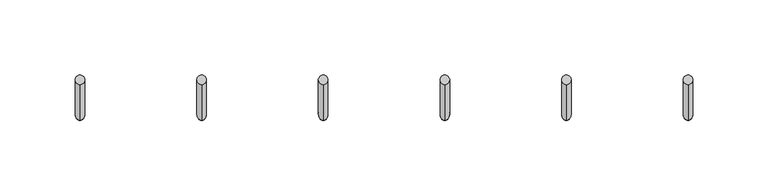
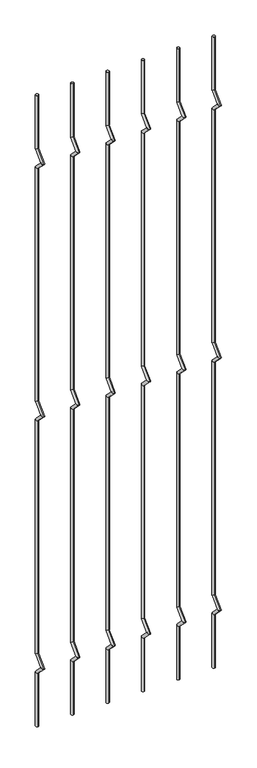
"""IFC4 building model written with IfcOpenShell, lengths in millimetres: railing geometry."""

from ifc_helpers import new_model, si_unit, frame, origin, place, context, project, spatial, circle_curve, ellipse_curve, source, transform, mapped, element, save
from ifc_brep_helpers import plane_surface, cylinder_surface, advanced_brep


def railing_e80b14bc(model_context):
    return source(origin(), model_context, "Body", "AdvancedBrep", [
        advanced_brep(
        [(-17514.6090291, 13589.3554142, 25.4), (-17514.6090291, 13583.0054142, 25.4), (-17514.6090291, 13583.0054142, 154.0342316), (-17514.6090291, 13589.3554142, 156.6644878), (-17514.6090291, 13559.2396458, 177.8), (-17514.6090291, 13568.219902, 177.8), (-17514.6090291, 13583.0054142, 201.5657684), (-17514.6090291, 13589.3554142, 198.9355122), (-17514.6090291, 13583.0054142, 763.6342316), (-17514.6090291, 13589.3554142, 766.2644878), (-17514.6090291, 13559.2396458, 787.4), (-17514.6090291, 13568.219902, 787.4), (-17514.6090291, 13583.0054142, 811.1657684), (-17514.6090291, 13589.3554142, 808.5355122), (-17514.6090291, 13583.0054142, 1373.2342316), (-17514.6090291, 13589.3554142, 1375.8644878), (-17514.6090291, 13559.2396458, 1397.0), (-17514.6090291, 13568.219902, 1397.0), (-17514.6090291, 13583.0054142, 1420.7657684), (-17514.6090291, 13589.3554142, 1418.1355122), (-17514.6090291, 13589.3554142, 1549.4), (-17514.6090291, 13583.0054142, 1549.4)],
        [
            (0, 1, circle_curve(frame((-17514.6090291, 13586.1804142, 25.4), z_axis=(0.0, 0.0, -1.0), x_axis=(0.0, -1.0, 0.0)), 3.175)),
            (1, 0, circle_curve(frame((-17514.6090291, 13586.1804142, 25.4), z_axis=(0.0, 0.0, -1.0), x_axis=(0.0, -1.0, 0.0)), 3.175)),
            (1, 2),
            (2, 3, ellipse_curve(frame((-17514.6090291, 13586.1804142, 155.3493597), z_axis=(0.0, 0.3826834323650955, -0.9238795325112844), x_axis=(0.0, -0.9238795325112845, -0.38268343236509544)), 3.4365952, 3.175)),
            (3, 0),
            (3, 2, ellipse_curve(frame((-17514.6090291, 13586.1804142, 155.3493597), z_axis=(0.0, 0.3826834323650955, -0.9238795325112844), x_axis=(0.0, -0.9238795325112845, -0.38268343236509544)), 3.4365952, 3.175)),
            (2, 4),
            (4, 5, ellipse_curve(frame((-17514.6090291, 13563.7297739, 177.8), z_axis=(0.0, 0.0, -1.0), x_axis=(0.0, 1.0, 0.0)), 4.4901281, 3.175)),
            (5, 3),
            (5, 4, ellipse_curve(frame((-17514.6090291, 13563.7297739, 177.8), z_axis=(0.0, 0.0, -1.0), x_axis=(0.0, 1.0, 0.0)), 4.4901281, 3.175)),
            (4, 6),
            (6, 7, ellipse_curve(frame((-17514.6090291, 13586.1804142, 200.2506403), z_axis=(0.0, -0.3826834323650839, -0.9238795325112892), x_axis=(0.0, -0.9238795325112893, 0.38268343236508373)), 3.4365952, 3.175)),
            (7, 5),
            (7, 6, ellipse_curve(frame((-17514.6090291, 13586.1804142, 200.2506403), z_axis=(0.0, -0.3826834323650839, -0.9238795325112892), x_axis=(0.0, -0.9238795325112893, 0.38268343236508373)), 3.4365952, 3.175)),
            (6, 8),
            (8, 9, ellipse_curve(frame((-17514.6090291, 13586.1804142, 764.9493597), z_axis=(0.0, 0.3826834323651107, -0.9238795325112781), x_axis=(0.0, -0.9238795325112781, -0.3826834323651108)), 3.4365952, 3.175)),
            (9, 7),
            (9, 8, ellipse_curve(frame((-17514.6090291, 13586.1804142, 764.9493597), z_axis=(0.0, 0.3826834323651107, -0.9238795325112781), x_axis=(0.0, -0.9238795325112781, -0.3826834323651108)), 3.4365952, 3.175)),
            (8, 10),
            (10, 11, ellipse_curve(frame((-17514.6090291, 13563.7297739, 787.4), z_axis=(0.0, 0.0, -1.0), x_axis=(0.0, 1.0, 0.0)), 4.4901281, 3.175)),
            (11, 9),
            (11, 10, ellipse_curve(frame((-17514.6090291, 13563.7297739, 787.4), z_axis=(0.0, 0.0, -1.0), x_axis=(0.0, 1.0, 0.0)), 4.4901281, 3.175)),
            (10, 12),
            (12, 13, ellipse_curve(frame((-17514.6090291, 13586.1804142, 809.8506403), z_axis=(0.0, -0.3826834323650702, -0.9238795325112948), x_axis=(0.0, -0.9238795325112948, 0.38268343236507046)), 3.4365952, 3.175)),
            (13, 11),
            (13, 12, ellipse_curve(frame((-17514.6090291, 13586.1804142, 809.8506403), z_axis=(0.0, -0.3826834323650702, -0.9238795325112948), x_axis=(0.0, -0.9238795325112948, 0.38268343236507046)), 3.4365952, 3.175)),
            (12, 14),
            (14, 15, ellipse_curve(frame((-17514.6090291, 13586.1804142, 1374.5493597), z_axis=(0.0, 0.3826834323650811, -0.9238795325112903), x_axis=(0.0, -0.9238795325112901, -0.3826834323650815)), 3.4365952, 3.175)),
            (15, 13),
            (15, 14, ellipse_curve(frame((-17514.6090291, 13586.1804142, 1374.5493597), z_axis=(0.0, 0.3826834323650811, -0.9238795325112903), x_axis=(0.0, -0.9238795325112901, -0.3826834323650815)), 3.4365952, 3.175)),
            (14, 16),
            (16, 17, ellipse_curve(frame((-17514.6090291, 13563.7297739, 1397.0), z_axis=(0.0, 0.0, -1.0), x_axis=(0.0, 1.0, 0.0)), 4.4901281, 3.175)),
            (17, 15),
            (17, 16, ellipse_curve(frame((-17514.6090291, 13563.7297739, 1397.0), z_axis=(0.0, 0.0, -1.0), x_axis=(0.0, 1.0, 0.0)), 4.4901281, 3.175)),
            (16, 18),
            (18, 19, ellipse_curve(frame((-17514.6090291, 13586.1804142, 1419.4506403), z_axis=(0.0, -0.38268343236509844, -0.9238795325112833), x_axis=(0.0, -0.9238795325112827, 0.38268343236509916)), 3.4365952, 3.175)),
            (19, 17),
            (19, 18, ellipse_curve(frame((-17514.6090291, 13586.1804142, 1419.4506403), z_axis=(0.0, -0.38268343236509844, -0.9238795325112833), x_axis=(0.0, -0.9238795325112827, 0.38268343236509916)), 3.4365952, 3.175)),
            (20, 21, circle_curve(frame((-17514.6090291, 13586.1804142, 1549.4), z_axis=(0.0, 0.0, 1.0), x_axis=(0.0, -1.0, 0.0)), 3.175)),
            (21, 20, circle_curve(frame((-17514.6090291, 13586.1804142, 1549.4), z_axis=(0.0, 0.0, 1.0), x_axis=(0.0, -1.0, 0.0)), 3.175)),
            (18, 21),
            (20, 19),
        ],
        [
            plane_surface(frame((-17514.6090291, 13586.1804142, 25.4), z_axis=(0.0, 0.0, -1.0), x_axis=(-1.0, 0.0, 0.0))),
            cylinder_surface(frame((-17514.6090291, 13586.1804142, 25.4), z_axis=(0.0, 0.0, -1.0), x_axis=(0.0, -1.0, 0.0)), 3.175),
            cylinder_surface(frame((-17514.6090291, 13586.1804142, 155.3493597), z_axis=(0.0, 0.7071067811865563, -0.7071067811865388), x_axis=(0.0, -0.7071067811865388, -0.7071067811865563)), 3.175),
            cylinder_surface(frame((-17514.6090291, 13563.7297739, 177.8), z_axis=(0.0, -0.7071067811865385, -0.7071067811865568), x_axis=(0.0, -0.7071067811865568, 0.7071067811865385)), 3.175),
            cylinder_surface(frame((-17514.6090291, 13586.1804142, 200.2506403), z_axis=(0.0, 0.0, -1.0), x_axis=(0.0, -1.0, 0.0)), 3.175),
            cylinder_surface(frame((-17514.6090291, 13586.1804142, 764.9493597), z_axis=(0.0, 0.7071067811865798, -0.7071067811865153), x_axis=(0.0, -0.7071067811865153, -0.7071067811865798)), 3.175),
            cylinder_surface(frame((-17514.6090291, 13563.7297739, 787.4), z_axis=(0.0, -0.7071067811865173, -0.7071067811865779), x_axis=(0.0, -0.7071067811865779, 0.7071067811865173)), 3.175),
            cylinder_surface(frame((-17514.6090291, 13586.1804142, 809.8506403), z_axis=(0.0, 0.0, -1.0), x_axis=(0.0, -1.0, 0.0)), 3.175),
            cylinder_surface(frame((-17514.6090291, 13586.1804142, 1374.5493597), z_axis=(0.0, 0.7071067811865346, -0.7071067811865605), x_axis=(0.0, -0.7071067811865605, -0.7071067811865346)), 3.175),
            cylinder_surface(frame((-17514.6090291, 13563.7297739, 1397.0), z_axis=(0.0, -0.7071067811865608, -0.7071067811865344), x_axis=(0.0, -0.7071067811865344, 0.7071067811865608)), 3.175),
            plane_surface(frame((-17514.6090291, 13586.1804142, 1549.4), z_axis=(0.0, 0.0, 1.0), x_axis=(-1.0, 0.0, 0.0))),
            cylinder_surface(frame((-17514.6090291, 13586.1804142, 1419.4506403), z_axis=(0.0, 0.0, -1.0), x_axis=(0.0, -1.0, 0.0)), 3.175),
        ],
        [
            (0, [[1, 2]]),
            (1, [[3, 4, 5, -2]]),
            (1, [[-5, 6, -3, -1]]),
            (2, [[7, 8, 9, -4]]),
            (2, [[-9, 10, -7, -6]]),
            (3, [[11, 12, 13, -8]]),
            (3, [[-13, 14, -11, -10]]),
            (4, [[15, 16, 17, -12]]),
            (4, [[-17, 18, -15, -14]]),
            (5, [[19, 20, 21, -16]]),
            (5, [[-21, 22, -19, -18]]),
            (6, [[23, 24, 25, -20]]),
            (6, [[-25, 26, -23, -22]]),
            (7, [[27, 28, 29, -24]]),
            (7, [[-29, 30, -27, -26]]),
            (8, [[31, 32, 33, -28]]),
            (8, [[-33, 34, -31, -30]]),
            (9, [[35, 36, 37, -32]]),
            (9, [[-37, 38, -35, -34]]),
            (10, [[39, 40]]),
            (11, [[41, -39, 42, -36]]),
            (11, [[-42, -40, -41, -38]]),
        ],
    ),
        advanced_brep(
        [(-17433.7523624, 13589.3554142, 25.4), (-17433.7523624, 13583.0054142, 25.4), (-17433.7523624, 13583.0054142, 154.0342316), (-17433.7523624, 13589.3554142, 156.6644878), (-17433.7523624, 13559.2396458, 177.8), (-17433.7523624, 13568.219902, 177.8), (-17433.7523624, 13583.0054142, 201.5657684), (-17433.7523624, 13589.3554142, 198.9355122), (-17433.7523624, 13583.0054142, 763.6342316), (-17433.7523624, 13589.3554142, 766.2644878), (-17433.7523624, 13559.2396458, 787.4), (-17433.7523624, 13568.219902, 787.4), (-17433.7523624, 13583.0054142, 811.1657684), (-17433.7523624, 13589.3554142, 808.5355122), (-17433.7523624, 13583.0054142, 1373.2342316), (-17433.7523624, 13589.3554142, 1375.8644878), (-17433.7523624, 13559.2396458, 1397.0), (-17433.7523624, 13568.219902, 1397.0), (-17433.7523624, 13583.0054142, 1420.7657684), (-17433.7523624, 13589.3554142, 1418.1355122), (-17433.7523624, 13589.3554142, 1549.4), (-17433.7523624, 13583.0054142, 1549.4)],
        [
            (0, 1, circle_curve(frame((-17433.7523624, 13586.1804142, 25.4), z_axis=(0.0, 0.0, -1.0), x_axis=(0.0, -1.0, 0.0)), 3.175)),
            (1, 0, circle_curve(frame((-17433.7523624, 13586.1804142, 25.4), z_axis=(0.0, 0.0, -1.0), x_axis=(0.0, -1.0, 0.0)), 3.175)),
            (1, 2),
            (2, 3, ellipse_curve(frame((-17433.7523624, 13586.1804142, 155.3493597), z_axis=(0.0, 0.3826834323650955, -0.9238795325112844), x_axis=(0.0, -0.9238795325112845, -0.38268343236509544)), 3.4365952, 3.175)),
            (3, 0),
            (3, 2, ellipse_curve(frame((-17433.7523624, 13586.1804142, 155.3493597), z_axis=(0.0, 0.3826834323650955, -0.9238795325112844), x_axis=(0.0, -0.9238795325112845, -0.38268343236509544)), 3.4365952, 3.175)),
            (2, 4),
            (4, 5, ellipse_curve(frame((-17433.7523624, 13563.7297739, 177.8), z_axis=(0.0, 0.0, -1.0), x_axis=(0.0, 1.0, 0.0)), 4.4901281, 3.175)),
            (5, 3),
            (5, 4, ellipse_curve(frame((-17433.7523624, 13563.7297739, 177.8), z_axis=(0.0, 0.0, -1.0), x_axis=(0.0, 1.0, 0.0)), 4.4901281, 3.175)),
            (4, 6),
            (6, 7, ellipse_curve(frame((-17433.7523624, 13586.1804142, 200.2506403), z_axis=(0.0, -0.3826834323650839, -0.9238795325112892), x_axis=(0.0, -0.9238795325112893, 0.38268343236508373)), 3.4365952, 3.175)),
            (7, 5),
            (7, 6, ellipse_curve(frame((-17433.7523624, 13586.1804142, 200.2506403), z_axis=(0.0, -0.3826834323650839, -0.9238795325112892), x_axis=(0.0, -0.9238795325112893, 0.38268343236508373)), 3.4365952, 3.175)),
            (6, 8),
            (8, 9, ellipse_curve(frame((-17433.7523624, 13586.1804142, 764.9493597), z_axis=(0.0, 0.3826834323651107, -0.9238795325112781), x_axis=(0.0, -0.9238795325112781, -0.3826834323651108)), 3.4365952, 3.175)),
            (9, 7),
            (9, 8, ellipse_curve(frame((-17433.7523624, 13586.1804142, 764.9493597), z_axis=(0.0, 0.3826834323651107, -0.9238795325112781), x_axis=(0.0, -0.9238795325112781, -0.3826834323651108)), 3.4365952, 3.175)),
            (8, 10),
            (10, 11, ellipse_curve(frame((-17433.7523624, 13563.7297739, 787.4), z_axis=(0.0, 0.0, -1.0), x_axis=(0.0, 1.0, 0.0)), 4.4901281, 3.175)),
            (11, 9),
            (11, 10, ellipse_curve(frame((-17433.7523624, 13563.7297739, 787.4), z_axis=(0.0, 0.0, -1.0), x_axis=(0.0, 1.0, 0.0)), 4.4901281, 3.175)),
            (10, 12),
            (12, 13, ellipse_curve(frame((-17433.7523624, 13586.1804142, 809.8506403), z_axis=(0.0, -0.3826834323650702, -0.9238795325112948), x_axis=(0.0, -0.9238795325112948, 0.38268343236507046)), 3.4365952, 3.175)),
            (13, 11),
            (13, 12, ellipse_curve(frame((-17433.7523624, 13586.1804142, 809.8506403), z_axis=(0.0, -0.3826834323650702, -0.9238795325112948), x_axis=(0.0, -0.9238795325112948, 0.38268343236507046)), 3.4365952, 3.175)),
            (12, 14),
            (14, 15, ellipse_curve(frame((-17433.7523624, 13586.1804142, 1374.5493597), z_axis=(0.0, 0.3826834323650811, -0.9238795325112903), x_axis=(0.0, -0.9238795325112901, -0.3826834323650815)), 3.4365952, 3.175)),
            (15, 13),
            (15, 14, ellipse_curve(frame((-17433.7523624, 13586.1804142, 1374.5493597), z_axis=(0.0, 0.3826834323650811, -0.9238795325112903), x_axis=(0.0, -0.9238795325112901, -0.3826834323650815)), 3.4365952, 3.175)),
            (14, 16),
            (16, 17, ellipse_curve(frame((-17433.7523624, 13563.7297739, 1397.0), z_axis=(0.0, 0.0, -1.0), x_axis=(0.0, 1.0, 0.0)), 4.4901281, 3.175)),
            (17, 15),
            (17, 16, ellipse_curve(frame((-17433.7523624, 13563.7297739, 1397.0), z_axis=(0.0, 0.0, -1.0), x_axis=(0.0, 1.0, 0.0)), 4.4901281, 3.175)),
            (16, 18),
            (18, 19, ellipse_curve(frame((-17433.7523624, 13586.1804142, 1419.4506403), z_axis=(0.0, -0.38268343236509844, -0.9238795325112833), x_axis=(0.0, -0.9238795325112827, 0.38268343236509916)), 3.4365952, 3.175)),
            (19, 17),
            (19, 18, ellipse_curve(frame((-17433.7523624, 13586.1804142, 1419.4506403), z_axis=(0.0, -0.38268343236509844, -0.9238795325112833), x_axis=(0.0, -0.9238795325112827, 0.38268343236509916)), 3.4365952, 3.175)),
            (20, 21, circle_curve(frame((-17433.7523624, 13586.1804142, 1549.4), z_axis=(0.0, 0.0, 1.0), x_axis=(0.0, -1.0, 0.0)), 3.175)),
            (21, 20, circle_curve(frame((-17433.7523624, 13586.1804142, 1549.4), z_axis=(0.0, 0.0, 1.0), x_axis=(0.0, -1.0, 0.0)), 3.175)),
            (18, 21),
            (20, 19),
        ],
        [
            plane_surface(frame((-17433.7523624, 13586.1804142, 25.4), z_axis=(0.0, 0.0, -1.0), x_axis=(-1.0, 0.0, 0.0))),
            cylinder_surface(frame((-17433.7523624, 13586.1804142, 25.4), z_axis=(0.0, 0.0, -1.0), x_axis=(0.0, -1.0, 0.0)), 3.175),
            cylinder_surface(frame((-17433.7523624, 13586.1804142, 155.3493597), z_axis=(0.0, 0.7071067811865563, -0.7071067811865388), x_axis=(0.0, -0.7071067811865388, -0.7071067811865563)), 3.175),
            cylinder_surface(frame((-17433.7523624, 13563.7297739, 177.8), z_axis=(0.0, -0.7071067811865385, -0.7071067811865568), x_axis=(0.0, -0.7071067811865568, 0.7071067811865385)), 3.175),
            cylinder_surface(frame((-17433.7523624, 13586.1804142, 200.2506403), z_axis=(0.0, 0.0, -1.0), x_axis=(0.0, -1.0, 0.0)), 3.175),
            cylinder_surface(frame((-17433.7523624, 13586.1804142, 764.9493597), z_axis=(0.0, 0.7071067811865798, -0.7071067811865153), x_axis=(0.0, -0.7071067811865153, -0.7071067811865798)), 3.175),
            cylinder_surface(frame((-17433.7523624, 13563.7297739, 787.4), z_axis=(0.0, -0.7071067811865173, -0.7071067811865779), x_axis=(0.0, -0.7071067811865779, 0.7071067811865173)), 3.175),
            cylinder_surface(frame((-17433.7523624, 13586.1804142, 809.8506403), z_axis=(0.0, 0.0, -1.0), x_axis=(0.0, -1.0, 0.0)), 3.175),
            cylinder_surface(frame((-17433.7523624, 13586.1804142, 1374.5493597), z_axis=(0.0, 0.7071067811865346, -0.7071067811865605), x_axis=(0.0, -0.7071067811865605, -0.7071067811865346)), 3.175),
            cylinder_surface(frame((-17433.7523624, 13563.7297739, 1397.0), z_axis=(0.0, -0.7071067811865608, -0.7071067811865344), x_axis=(0.0, -0.7071067811865344, 0.7071067811865608)), 3.175),
            plane_surface(frame((-17433.7523624, 13586.1804142, 1549.4), z_axis=(0.0, 0.0, 1.0), x_axis=(-1.0, 0.0, 0.0))),
            cylinder_surface(frame((-17433.7523624, 13586.1804142, 1419.4506403), z_axis=(0.0, 0.0, -1.0), x_axis=(0.0, -1.0, 0.0)), 3.175),
        ],
        [
            (0, [[1, 2]]),
            (1, [[3, 4, 5, -2]]),
            (1, [[-5, 6, -3, -1]]),
            (2, [[7, 8, 9, -4]]),
            (2, [[-9, 10, -7, -6]]),
            (3, [[11, 12, 13, -8]]),
            (3, [[-13, 14, -11, -10]]),
            (4, [[15, 16, 17, -12]]),
            (4, [[-17, 18, -15, -14]]),
            (5, [[19, 20, 21, -16]]),
            (5, [[-21, 22, -19, -18]]),
            (6, [[23, 24, 25, -20]]),
            (6, [[-25, 26, -23, -22]]),
            (7, [[27, 28, 29, -24]]),
            (7, [[-29, 30, -27, -26]]),
            (8, [[31, 32, 33, -28]]),
            (8, [[-33, 34, -31, -30]]),
            (9, [[35, 36, 37, -32]]),
            (9, [[-37, 38, -35, -34]]),
            (10, [[39, 40]]),
            (11, [[41, -39, 42, -36]]),
            (11, [[-42, -40, -41, -38]]),
        ],
    ),
        advanced_brep(
        [(-17352.8956958, 13589.3554142, 25.4), (-17352.8956958, 13583.0054142, 25.4), (-17352.8956958, 13583.0054142, 154.0342316), (-17352.8956958, 13589.3554142, 156.6644878), (-17352.8956958, 13559.2396458, 177.8), (-17352.8956958, 13568.219902, 177.8), (-17352.8956958, 13583.0054142, 201.5657684), (-17352.8956958, 13589.3554142, 198.9355122), (-17352.8956958, 13583.0054142, 763.6342316), (-17352.8956958, 13589.3554142, 766.2644878), (-17352.8956958, 13559.2396458, 787.4), (-17352.8956958, 13568.219902, 787.4), (-17352.8956958, 13583.0054142, 811.1657684), (-17352.8956958, 13589.3554142, 808.5355122), (-17352.8956958, 13583.0054142, 1373.2342316), (-17352.8956958, 13589.3554142, 1375.8644878), (-17352.8956958, 13559.2396458, 1397.0), (-17352.8956958, 13568.219902, 1397.0), (-17352.8956958, 13583.0054142, 1420.7657684), (-17352.8956958, 13589.3554142, 1418.1355122), (-17352.8956958, 13589.3554142, 1549.4), (-17352.8956958, 13583.0054142, 1549.4)],
        [
            (0, 1, circle_curve(frame((-17352.8956958, 13586.1804142, 25.4), z_axis=(0.0, 0.0, -1.0), x_axis=(0.0, -1.0, 0.0)), 3.175)),
            (1, 0, circle_curve(frame((-17352.8956958, 13586.1804142, 25.4), z_axis=(0.0, 0.0, -1.0), x_axis=(0.0, -1.0, 0.0)), 3.175)),
            (1, 2),
            (2, 3, ellipse_curve(frame((-17352.8956958, 13586.1804142, 155.3493597), z_axis=(0.0, 0.3826834323650955, -0.9238795325112844), x_axis=(0.0, -0.9238795325112845, -0.38268343236509544)), 3.4365952, 3.175)),
            (3, 0),
            (3, 2, ellipse_curve(frame((-17352.8956958, 13586.1804142, 155.3493597), z_axis=(0.0, 0.3826834323650955, -0.9238795325112844), x_axis=(0.0, -0.9238795325112845, -0.38268343236509544)), 3.4365952, 3.175)),
            (2, 4),
            (4, 5, ellipse_curve(frame((-17352.8956958, 13563.7297739, 177.8), z_axis=(0.0, 0.0, -1.0), x_axis=(0.0, 1.0, 0.0)), 4.4901281, 3.175)),
            (5, 3),
            (5, 4, ellipse_curve(frame((-17352.8956958, 13563.7297739, 177.8), z_axis=(0.0, 0.0, -1.0), x_axis=(0.0, 1.0, 0.0)), 4.4901281, 3.175)),
            (4, 6),
            (6, 7, ellipse_curve(frame((-17352.8956958, 13586.1804142, 200.2506403), z_axis=(0.0, -0.3826834323650839, -0.9238795325112892), x_axis=(0.0, -0.9238795325112893, 0.38268343236508373)), 3.4365952, 3.175)),
            (7, 5),
            (7, 6, ellipse_curve(frame((-17352.8956958, 13586.1804142, 200.2506403), z_axis=(0.0, -0.3826834323650839, -0.9238795325112892), x_axis=(0.0, -0.9238795325112893, 0.38268343236508373)), 3.4365952, 3.175)),
            (6, 8),
            (8, 9, ellipse_curve(frame((-17352.8956958, 13586.1804142, 764.9493597), z_axis=(0.0, 0.3826834323651107, -0.9238795325112781), x_axis=(0.0, -0.9238795325112781, -0.3826834323651108)), 3.4365952, 3.175)),
            (9, 7),
            (9, 8, ellipse_curve(frame((-17352.8956958, 13586.1804142, 764.9493597), z_axis=(0.0, 0.3826834323651107, -0.9238795325112781), x_axis=(0.0, -0.9238795325112781, -0.3826834323651108)), 3.4365952, 3.175)),
            (8, 10),
            (10, 11, ellipse_curve(frame((-17352.8956958, 13563.7297739, 787.4), z_axis=(0.0, 0.0, -1.0), x_axis=(0.0, 1.0, 0.0)), 4.4901281, 3.175)),
            (11, 9),
            (11, 10, ellipse_curve(frame((-17352.8956958, 13563.7297739, 787.4), z_axis=(0.0, 0.0, -1.0), x_axis=(0.0, 1.0, 0.0)), 4.4901281, 3.175)),
            (10, 12),
            (12, 13, ellipse_curve(frame((-17352.8956958, 13586.1804142, 809.8506403), z_axis=(0.0, -0.3826834323650702, -0.9238795325112948), x_axis=(0.0, -0.9238795325112948, 0.38268343236507046)), 3.4365952, 3.175)),
            (13, 11),
            (13, 12, ellipse_curve(frame((-17352.8956958, 13586.1804142, 809.8506403), z_axis=(0.0, -0.3826834323650702, -0.9238795325112948), x_axis=(0.0, -0.9238795325112948, 0.38268343236507046)), 3.4365952, 3.175)),
            (12, 14),
            (14, 15, ellipse_curve(frame((-17352.8956958, 13586.1804142, 1374.5493597), z_axis=(0.0, 0.3826834323650811, -0.9238795325112903), x_axis=(0.0, -0.9238795325112901, -0.3826834323650815)), 3.4365952, 3.175)),
            (15, 13),
            (15, 14, ellipse_curve(frame((-17352.8956958, 13586.1804142, 1374.5493597), z_axis=(0.0, 0.3826834323650811, -0.9238795325112903), x_axis=(0.0, -0.9238795325112901, -0.3826834323650815)), 3.4365952, 3.175)),
            (14, 16),
            (16, 17, ellipse_curve(frame((-17352.8956958, 13563.7297739, 1397.0), z_axis=(0.0, 0.0, -1.0), x_axis=(0.0, 1.0, 0.0)), 4.4901281, 3.175)),
            (17, 15),
            (17, 16, ellipse_curve(frame((-17352.8956958, 13563.7297739, 1397.0), z_axis=(0.0, 0.0, -1.0), x_axis=(0.0, 1.0, 0.0)), 4.4901281, 3.175)),
            (16, 18),
            (18, 19, ellipse_curve(frame((-17352.8956958, 13586.1804142, 1419.4506403), z_axis=(0.0, -0.38268343236509844, -0.9238795325112833), x_axis=(0.0, -0.9238795325112827, 0.38268343236509916)), 3.4365952, 3.175)),
            (19, 17),
            (19, 18, ellipse_curve(frame((-17352.8956958, 13586.1804142, 1419.4506403), z_axis=(0.0, -0.38268343236509844, -0.9238795325112833), x_axis=(0.0, -0.9238795325112827, 0.38268343236509916)), 3.4365952, 3.175)),
            (20, 21, circle_curve(frame((-17352.8956958, 13586.1804142, 1549.4), z_axis=(0.0, 0.0, 1.0), x_axis=(0.0, -1.0, 0.0)), 3.175)),
            (21, 20, circle_curve(frame((-17352.8956958, 13586.1804142, 1549.4), z_axis=(0.0, 0.0, 1.0), x_axis=(0.0, -1.0, 0.0)), 3.175)),
            (18, 21),
            (20, 19),
        ],
        [
            plane_surface(frame((-17352.8956958, 13586.1804142, 25.4), z_axis=(0.0, 0.0, -1.0), x_axis=(-1.0, 0.0, 0.0))),
            cylinder_surface(frame((-17352.8956958, 13586.1804142, 25.4), z_axis=(0.0, 0.0, -1.0), x_axis=(0.0, -1.0, 0.0)), 3.175),
            cylinder_surface(frame((-17352.8956958, 13586.1804142, 155.3493597), z_axis=(0.0, 0.7071067811865563, -0.7071067811865388), x_axis=(0.0, -0.7071067811865388, -0.7071067811865563)), 3.175),
            cylinder_surface(frame((-17352.8956958, 13563.7297739, 177.8), z_axis=(0.0, -0.7071067811865385, -0.7071067811865568), x_axis=(0.0, -0.7071067811865568, 0.7071067811865385)), 3.175),
            cylinder_surface(frame((-17352.8956958, 13586.1804142, 200.2506403), z_axis=(0.0, 0.0, -1.0), x_axis=(0.0, -1.0, 0.0)), 3.175),
            cylinder_surface(frame((-17352.8956958, 13586.1804142, 764.9493597), z_axis=(0.0, 0.7071067811865798, -0.7071067811865153), x_axis=(0.0, -0.7071067811865153, -0.7071067811865798)), 3.175),
            cylinder_surface(frame((-17352.8956958, 13563.7297739, 787.4), z_axis=(0.0, -0.7071067811865173, -0.7071067811865779), x_axis=(0.0, -0.7071067811865779, 0.7071067811865173)), 3.175),
            cylinder_surface(frame((-17352.8956958, 13586.1804142, 809.8506403), z_axis=(0.0, 0.0, -1.0), x_axis=(0.0, -1.0, 0.0)), 3.175),
            cylinder_surface(frame((-17352.8956958, 13586.1804142, 1374.5493597), z_axis=(0.0, 0.7071067811865346, -0.7071067811865605), x_axis=(0.0, -0.7071067811865605, -0.7071067811865346)), 3.175),
            cylinder_surface(frame((-17352.8956958, 13563.7297739, 1397.0), z_axis=(0.0, -0.7071067811865608, -0.7071067811865344), x_axis=(0.0, -0.7071067811865344, 0.7071067811865608)), 3.175),
            plane_surface(frame((-17352.8956958, 13586.1804142, 1549.4), z_axis=(0.0, 0.0, 1.0), x_axis=(-1.0, 0.0, 0.0))),
            cylinder_surface(frame((-17352.8956958, 13586.1804142, 1419.4506403), z_axis=(0.0, 0.0, -1.0), x_axis=(0.0, -1.0, 0.0)), 3.175),
        ],
        [
            (0, [[1, 2]]),
            (1, [[3, 4, 5, -2]]),
            (1, [[-5, 6, -3, -1]]),
            (2, [[7, 8, 9, -4]]),
            (2, [[-9, 10, -7, -6]]),
            (3, [[11, 12, 13, -8]]),
            (3, [[-13, 14, -11, -10]]),
            (4, [[15, 16, 17, -12]]),
            (4, [[-17, 18, -15, -14]]),
            (5, [[19, 20, 21, -16]]),
            (5, [[-21, 22, -19, -18]]),
            (6, [[23, 24, 25, -20]]),
            (6, [[-25, 26, -23, -22]]),
            (7, [[27, 28, 29, -24]]),
            (7, [[-29, 30, -27, -26]]),
            (8, [[31, 32, 33, -28]]),
            (8, [[-33, 34, -31, -30]]),
            (9, [[35, 36, 37, -32]]),
            (9, [[-37, 38, -35, -34]]),
            (10, [[39, 40]]),
            (11, [[41, -39, 42, -36]]),
            (11, [[-42, -40, -41, -38]]),
        ],
    ),
        advanced_brep(
        [(-17272.0390291, 13589.3554142, 25.4), (-17272.0390291, 13583.0054142, 25.4), (-17272.0390291, 13583.0054142, 154.0342316), (-17272.0390291, 13589.3554142, 156.6644878), (-17272.0390291, 13559.2396458, 177.8), (-17272.0390291, 13568.219902, 177.8), (-17272.0390291, 13583.0054142, 201.5657684), (-17272.0390291, 13589.3554142, 198.9355122), (-17272.0390291, 13583.0054142, 763.6342316), (-17272.0390291, 13589.3554142, 766.2644878), (-17272.0390291, 13559.2396458, 787.4), (-17272.0390291, 13568.219902, 787.4), (-17272.0390291, 13583.0054142, 811.1657684), (-17272.0390291, 13589.3554142, 808.5355122), (-17272.0390291, 13583.0054142, 1373.2342316), (-17272.0390291, 13589.3554142, 1375.8644878), (-17272.0390291, 13559.2396458, 1397.0), (-17272.0390291, 13568.219902, 1397.0), (-17272.0390291, 13583.0054142, 1420.7657684), (-17272.0390291, 13589.3554142, 1418.1355122), (-17272.0390291, 13589.3554142, 1549.4), (-17272.0390291, 13583.0054142, 1549.4)],
        [
            (0, 1, circle_curve(frame((-17272.0390291, 13586.1804142, 25.4), z_axis=(0.0, 0.0, -1.0), x_axis=(0.0, -1.0, 0.0)), 3.175)),
            (1, 0, circle_curve(frame((-17272.0390291, 13586.1804142, 25.4), z_axis=(0.0, 0.0, -1.0), x_axis=(0.0, -1.0, 0.0)), 3.175)),
            (1, 2),
            (2, 3, ellipse_curve(frame((-17272.0390291, 13586.1804142, 155.3493597), z_axis=(0.0, 0.3826834323650955, -0.9238795325112844), x_axis=(0.0, -0.9238795325112845, -0.38268343236509544)), 3.4365952, 3.175)),
            (3, 0),
            (3, 2, ellipse_curve(frame((-17272.0390291, 13586.1804142, 155.3493597), z_axis=(0.0, 0.3826834323650955, -0.9238795325112844), x_axis=(0.0, -0.9238795325112845, -0.38268343236509544)), 3.4365952, 3.175)),
            (2, 4),
            (4, 5, ellipse_curve(frame((-17272.0390291, 13563.7297739, 177.8), z_axis=(0.0, 0.0, -1.0), x_axis=(0.0, 1.0, 0.0)), 4.4901281, 3.175)),
            (5, 3),
            (5, 4, ellipse_curve(frame((-17272.0390291, 13563.7297739, 177.8), z_axis=(0.0, 0.0, -1.0), x_axis=(0.0, 1.0, 0.0)), 4.4901281, 3.175)),
            (4, 6),
            (6, 7, ellipse_curve(frame((-17272.0390291, 13586.1804142, 200.2506403), z_axis=(0.0, -0.3826834323650839, -0.9238795325112892), x_axis=(0.0, -0.9238795325112893, 0.38268343236508373)), 3.4365952, 3.175)),
            (7, 5),
            (7, 6, ellipse_curve(frame((-17272.0390291, 13586.1804142, 200.2506403), z_axis=(0.0, -0.3826834323650839, -0.9238795325112892), x_axis=(0.0, -0.9238795325112893, 0.38268343236508373)), 3.4365952, 3.175)),
            (6, 8),
            (8, 9, ellipse_curve(frame((-17272.0390291, 13586.1804142, 764.9493597), z_axis=(0.0, 0.3826834323651107, -0.9238795325112781), x_axis=(0.0, -0.9238795325112781, -0.3826834323651108)), 3.4365952, 3.175)),
            (9, 7),
            (9, 8, ellipse_curve(frame((-17272.0390291, 13586.1804142, 764.9493597), z_axis=(0.0, 0.3826834323651107, -0.9238795325112781), x_axis=(0.0, -0.9238795325112781, -0.3826834323651108)), 3.4365952, 3.175)),
            (8, 10),
            (10, 11, ellipse_curve(frame((-17272.0390291, 13563.7297739, 787.4), z_axis=(0.0, 0.0, -1.0), x_axis=(0.0, 1.0, 0.0)), 4.4901281, 3.175)),
            (11, 9),
            (11, 10, ellipse_curve(frame((-17272.0390291, 13563.7297739, 787.4), z_axis=(0.0, 0.0, -1.0), x_axis=(0.0, 1.0, 0.0)), 4.4901281, 3.175)),
            (10, 12),
            (12, 13, ellipse_curve(frame((-17272.0390291, 13586.1804142, 809.8506403), z_axis=(0.0, -0.3826834323650702, -0.9238795325112948), x_axis=(0.0, -0.9238795325112948, 0.38268343236507046)), 3.4365952, 3.175)),
            (13, 11),
            (13, 12, ellipse_curve(frame((-17272.0390291, 13586.1804142, 809.8506403), z_axis=(0.0, -0.3826834323650702, -0.9238795325112948), x_axis=(0.0, -0.9238795325112948, 0.38268343236507046)), 3.4365952, 3.175)),
            (12, 14),
            (14, 15, ellipse_curve(frame((-17272.0390291, 13586.1804142, 1374.5493597), z_axis=(0.0, 0.3826834323650811, -0.9238795325112903), x_axis=(0.0, -0.9238795325112901, -0.3826834323650815)), 3.4365952, 3.175)),
            (15, 13),
            (15, 14, ellipse_curve(frame((-17272.0390291, 13586.1804142, 1374.5493597), z_axis=(0.0, 0.3826834323650811, -0.9238795325112903), x_axis=(0.0, -0.9238795325112901, -0.3826834323650815)), 3.4365952, 3.175)),
            (14, 16),
            (16, 17, ellipse_curve(frame((-17272.0390291, 13563.7297739, 1397.0), z_axis=(0.0, 0.0, -1.0), x_axis=(0.0, 1.0, 0.0)), 4.4901281, 3.175)),
            (17, 15),
            (17, 16, ellipse_curve(frame((-17272.0390291, 13563.7297739, 1397.0), z_axis=(0.0, 0.0, -1.0), x_axis=(0.0, 1.0, 0.0)), 4.4901281, 3.175)),
            (16, 18),
            (18, 19, ellipse_curve(frame((-17272.0390291, 13586.1804142, 1419.4506403), z_axis=(0.0, -0.38268343236509844, -0.9238795325112833), x_axis=(0.0, -0.9238795325112827, 0.38268343236509916)), 3.4365952, 3.175)),
            (19, 17),
            (19, 18, ellipse_curve(frame((-17272.0390291, 13586.1804142, 1419.4506403), z_axis=(0.0, -0.38268343236509844, -0.9238795325112833), x_axis=(0.0, -0.9238795325112827, 0.38268343236509916)), 3.4365952, 3.175)),
            (20, 21, circle_curve(frame((-17272.0390291, 13586.1804142, 1549.4), z_axis=(0.0, 0.0, 1.0), x_axis=(0.0, -1.0, 0.0)), 3.175)),
            (21, 20, circle_curve(frame((-17272.0390291, 13586.1804142, 1549.4), z_axis=(0.0, 0.0, 1.0), x_axis=(0.0, -1.0, 0.0)), 3.175)),
            (18, 21),
            (20, 19),
        ],
        [
            plane_surface(frame((-17272.0390291, 13586.1804142, 25.4), z_axis=(0.0, 0.0, -1.0), x_axis=(-1.0, 0.0, 0.0))),
            cylinder_surface(frame((-17272.0390291, 13586.1804142, 25.4), z_axis=(0.0, 0.0, -1.0), x_axis=(0.0, -1.0, 0.0)), 3.175),
            cylinder_surface(frame((-17272.0390291, 13586.1804142, 155.3493597), z_axis=(0.0, 0.7071067811865563, -0.7071067811865388), x_axis=(0.0, -0.7071067811865388, -0.7071067811865563)), 3.175),
            cylinder_surface(frame((-17272.0390291, 13563.7297739, 177.8), z_axis=(0.0, -0.7071067811865385, -0.7071067811865568), x_axis=(0.0, -0.7071067811865568, 0.7071067811865385)), 3.175),
            cylinder_surface(frame((-17272.0390291, 13586.1804142, 200.2506403), z_axis=(0.0, 0.0, -1.0), x_axis=(0.0, -1.0, 0.0)), 3.175),
            cylinder_surface(frame((-17272.0390291, 13586.1804142, 764.9493597), z_axis=(0.0, 0.7071067811865798, -0.7071067811865153), x_axis=(0.0, -0.7071067811865153, -0.7071067811865798)), 3.175),
            cylinder_surface(frame((-17272.0390291, 13563.7297739, 787.4), z_axis=(0.0, -0.7071067811865173, -0.7071067811865779), x_axis=(0.0, -0.7071067811865779, 0.7071067811865173)), 3.175),
            cylinder_surface(frame((-17272.0390291, 13586.1804142, 809.8506403), z_axis=(0.0, 0.0, -1.0), x_axis=(0.0, -1.0, 0.0)), 3.175),
            cylinder_surface(frame((-17272.0390291, 13586.1804142, 1374.5493597), z_axis=(0.0, 0.7071067811865346, -0.7071067811865605), x_axis=(0.0, -0.7071067811865605, -0.7071067811865346)), 3.175),
            cylinder_surface(frame((-17272.0390291, 13563.7297739, 1397.0), z_axis=(0.0, -0.7071067811865608, -0.7071067811865344), x_axis=(0.0, -0.7071067811865344, 0.7071067811865608)), 3.175),
            plane_surface(frame((-17272.0390291, 13586.1804142, 1549.4), z_axis=(0.0, 0.0, 1.0), x_axis=(-1.0, 0.0, 0.0))),
            cylinder_surface(frame((-17272.0390291, 13586.1804142, 1419.4506403), z_axis=(0.0, 0.0, -1.0), x_axis=(0.0, -1.0, 0.0)), 3.175),
        ],
        [
            (0, [[1, 2]]),
            (1, [[3, 4, 5, -2]]),
            (1, [[-5, 6, -3, -1]]),
            (2, [[7, 8, 9, -4]]),
            (2, [[-9, 10, -7, -6]]),
            (3, [[11, 12, 13, -8]]),
            (3, [[-13, 14, -11, -10]]),
            (4, [[15, 16, 17, -12]]),
            (4, [[-17, 18, -15, -14]]),
            (5, [[19, 20, 21, -16]]),
            (5, [[-21, 22, -19, -18]]),
            (6, [[23, 24, 25, -20]]),
            (6, [[-25, 26, -23, -22]]),
            (7, [[27, 28, 29, -24]]),
            (7, [[-29, 30, -27, -26]]),
            (8, [[31, 32, 33, -28]]),
            (8, [[-33, 34, -31, -30]]),
            (9, [[35, 36, 37, -32]]),
            (9, [[-37, 38, -35, -34]]),
            (10, [[39, 40]]),
            (11, [[41, -39, 42, -36]]),
            (11, [[-42, -40, -41, -38]]),
        ],
    ),
        advanced_brep(
        [(-17191.1823624, 13589.3554142, 25.4), (-17191.1823624, 13583.0054142, 25.4), (-17191.1823624, 13583.0054142, 154.0342316), (-17191.1823624, 13589.3554142, 156.6644878), (-17191.1823624, 13559.2396458, 177.8), (-17191.1823624, 13568.219902, 177.8), (-17191.1823624, 13583.0054142, 201.5657684), (-17191.1823624, 13589.3554142, 198.9355122), (-17191.1823624, 13583.0054142, 763.6342316), (-17191.1823624, 13589.3554142, 766.2644878), (-17191.1823624, 13559.2396458, 787.4), (-17191.1823624, 13568.219902, 787.4), (-17191.1823624, 13583.0054142, 811.1657684), (-17191.1823624, 13589.3554142, 808.5355122), (-17191.1823624, 13583.0054142, 1373.2342316), (-17191.1823624, 13589.3554142, 1375.8644878), (-17191.1823624, 13559.2396458, 1397.0), (-17191.1823624, 13568.219902, 1397.0), (-17191.1823624, 13583.0054142, 1420.7657684), (-17191.1823624, 13589.3554142, 1418.1355122), (-17191.1823624, 13589.3554142, 1549.4), (-17191.1823624, 13583.0054142, 1549.4)],
        [
            (0, 1, circle_curve(frame((-17191.1823624, 13586.1804142, 25.4), z_axis=(0.0, 0.0, -1.0), x_axis=(0.0, -1.0, 0.0)), 3.175)),
            (1, 0, circle_curve(frame((-17191.1823624, 13586.1804142, 25.4), z_axis=(0.0, 0.0, -1.0), x_axis=(0.0, -1.0, 0.0)), 3.175)),
            (1, 2),
            (2, 3, ellipse_curve(frame((-17191.1823624, 13586.1804142, 155.3493597), z_axis=(0.0, 0.3826834323650955, -0.9238795325112844), x_axis=(0.0, -0.9238795325112845, -0.38268343236509544)), 3.4365952, 3.175)),
            (3, 0),
            (3, 2, ellipse_curve(frame((-17191.1823624, 13586.1804142, 155.3493597), z_axis=(0.0, 0.3826834323650955, -0.9238795325112844), x_axis=(0.0, -0.9238795325112845, -0.38268343236509544)), 3.4365952, 3.175)),
            (2, 4),
            (4, 5, ellipse_curve(frame((-17191.1823624, 13563.7297739, 177.8), z_axis=(0.0, 0.0, -1.0), x_axis=(0.0, 1.0, 0.0)), 4.4901281, 3.175)),
            (5, 3),
            (5, 4, ellipse_curve(frame((-17191.1823624, 13563.7297739, 177.8), z_axis=(0.0, 0.0, -1.0), x_axis=(0.0, 1.0, 0.0)), 4.4901281, 3.175)),
            (4, 6),
            (6, 7, ellipse_curve(frame((-17191.1823624, 13586.1804142, 200.2506403), z_axis=(0.0, -0.3826834323650839, -0.9238795325112892), x_axis=(0.0, -0.9238795325112893, 0.38268343236508373)), 3.4365952, 3.175)),
            (7, 5),
            (7, 6, ellipse_curve(frame((-17191.1823624, 13586.1804142, 200.2506403), z_axis=(0.0, -0.3826834323650839, -0.9238795325112892), x_axis=(0.0, -0.9238795325112893, 0.38268343236508373)), 3.4365952, 3.175)),
            (6, 8),
            (8, 9, ellipse_curve(frame((-17191.1823624, 13586.1804142, 764.9493597), z_axis=(0.0, 0.3826834323651107, -0.9238795325112781), x_axis=(0.0, -0.9238795325112781, -0.3826834323651108)), 3.4365952, 3.175)),
            (9, 7),
            (9, 8, ellipse_curve(frame((-17191.1823624, 13586.1804142, 764.9493597), z_axis=(0.0, 0.3826834323651107, -0.9238795325112781), x_axis=(0.0, -0.9238795325112781, -0.3826834323651108)), 3.4365952, 3.175)),
            (8, 10),
            (10, 11, ellipse_curve(frame((-17191.1823624, 13563.7297739, 787.4), z_axis=(0.0, 0.0, -1.0), x_axis=(0.0, 1.0, 0.0)), 4.4901281, 3.175)),
            (11, 9),
            (11, 10, ellipse_curve(frame((-17191.1823624, 13563.7297739, 787.4), z_axis=(0.0, 0.0, -1.0), x_axis=(0.0, 1.0, 0.0)), 4.4901281, 3.175)),
            (10, 12),
            (12, 13, ellipse_curve(frame((-17191.1823624, 13586.1804142, 809.8506403), z_axis=(0.0, -0.3826834323650702, -0.9238795325112948), x_axis=(0.0, -0.9238795325112948, 0.38268343236507046)), 3.4365952, 3.175)),
            (13, 11),
            (13, 12, ellipse_curve(frame((-17191.1823624, 13586.1804142, 809.8506403), z_axis=(0.0, -0.3826834323650702, -0.9238795325112948), x_axis=(0.0, -0.9238795325112948, 0.38268343236507046)), 3.4365952, 3.175)),
            (12, 14),
            (14, 15, ellipse_curve(frame((-17191.1823624, 13586.1804142, 1374.5493597), z_axis=(0.0, 0.3826834323650811, -0.9238795325112903), x_axis=(0.0, -0.9238795325112901, -0.3826834323650815)), 3.4365952, 3.175)),
            (15, 13),
            (15, 14, ellipse_curve(frame((-17191.1823624, 13586.1804142, 1374.5493597), z_axis=(0.0, 0.3826834323650811, -0.9238795325112903), x_axis=(0.0, -0.9238795325112901, -0.3826834323650815)), 3.4365952, 3.175)),
            (14, 16),
            (16, 17, ellipse_curve(frame((-17191.1823624, 13563.7297739, 1397.0), z_axis=(0.0, 0.0, -1.0), x_axis=(0.0, 1.0, 0.0)), 4.4901281, 3.175)),
            (17, 15),
            (17, 16, ellipse_curve(frame((-17191.1823624, 13563.7297739, 1397.0), z_axis=(0.0, 0.0, -1.0), x_axis=(0.0, 1.0, 0.0)), 4.4901281, 3.175)),
            (16, 18),
            (18, 19, ellipse_curve(frame((-17191.1823624, 13586.1804142, 1419.4506403), z_axis=(0.0, -0.38268343236509844, -0.9238795325112833), x_axis=(0.0, -0.9238795325112827, 0.38268343236509916)), 3.4365952, 3.175)),
            (19, 17),
            (19, 18, ellipse_curve(frame((-17191.1823624, 13586.1804142, 1419.4506403), z_axis=(0.0, -0.38268343236509844, -0.9238795325112833), x_axis=(0.0, -0.9238795325112827, 0.38268343236509916)), 3.4365952, 3.175)),
            (20, 21, circle_curve(frame((-17191.1823624, 13586.1804142, 1549.4), z_axis=(0.0, 0.0, 1.0), x_axis=(0.0, -1.0, 0.0)), 3.175)),
            (21, 20, circle_curve(frame((-17191.1823624, 13586.1804142, 1549.4), z_axis=(0.0, 0.0, 1.0), x_axis=(0.0, -1.0, 0.0)), 3.175)),
            (18, 21),
            (20, 19),
        ],
        [
            plane_surface(frame((-17191.1823624, 13586.1804142, 25.4), z_axis=(0.0, 0.0, -1.0), x_axis=(-1.0, 0.0, 0.0))),
            cylinder_surface(frame((-17191.1823624, 13586.1804142, 25.4), z_axis=(0.0, 0.0, -1.0), x_axis=(0.0, -1.0, 0.0)), 3.175),
            cylinder_surface(frame((-17191.1823624, 13586.1804142, 155.3493597), z_axis=(0.0, 0.7071067811865563, -0.7071067811865388), x_axis=(0.0, -0.7071067811865388, -0.7071067811865563)), 3.175),
            cylinder_surface(frame((-17191.1823624, 13563.7297739, 177.8), z_axis=(0.0, -0.7071067811865385, -0.7071067811865568), x_axis=(0.0, -0.7071067811865568, 0.7071067811865385)), 3.175),
            cylinder_surface(frame((-17191.1823624, 13586.1804142, 200.2506403), z_axis=(0.0, 0.0, -1.0), x_axis=(0.0, -1.0, 0.0)), 3.175),
            cylinder_surface(frame((-17191.1823624, 13586.1804142, 764.9493597), z_axis=(0.0, 0.7071067811865798, -0.7071067811865153), x_axis=(0.0, -0.7071067811865153, -0.7071067811865798)), 3.175),
            cylinder_surface(frame((-17191.1823624, 13563.7297739, 787.4), z_axis=(0.0, -0.7071067811865173, -0.7071067811865779), x_axis=(0.0, -0.7071067811865779, 0.7071067811865173)), 3.175),
            cylinder_surface(frame((-17191.1823624, 13586.1804142, 809.8506403), z_axis=(0.0, 0.0, -1.0), x_axis=(0.0, -1.0, 0.0)), 3.175),
            cylinder_surface(frame((-17191.1823624, 13586.1804142, 1374.5493597), z_axis=(0.0, 0.7071067811865346, -0.7071067811865605), x_axis=(0.0, -0.7071067811865605, -0.7071067811865346)), 3.175),
            cylinder_surface(frame((-17191.1823624, 13563.7297739, 1397.0), z_axis=(0.0, -0.7071067811865608, -0.7071067811865344), x_axis=(0.0, -0.7071067811865344, 0.7071067811865608)), 3.175),
            plane_surface(frame((-17191.1823624, 13586.1804142, 1549.4), z_axis=(0.0, 0.0, 1.0), x_axis=(-1.0, 0.0, 0.0))),
            cylinder_surface(frame((-17191.1823624, 13586.1804142, 1419.4506403), z_axis=(0.0, 0.0, -1.0), x_axis=(0.0, -1.0, 0.0)), 3.175),
        ],
        [
            (0, [[1, 2]]),
            (1, [[3, 4, 5, -2]]),
            (1, [[-5, 6, -3, -1]]),
            (2, [[7, 8, 9, -4]]),
            (2, [[-9, 10, -7, -6]]),
            (3, [[11, 12, 13, -8]]),
            (3, [[-13, 14, -11, -10]]),
            (4, [[15, 16, 17, -12]]),
            (4, [[-17, 18, -15, -14]]),
            (5, [[19, 20, 21, -16]]),
            (5, [[-21, 22, -19, -18]]),
            (6, [[23, 24, 25, -20]]),
            (6, [[-25, 26, -23, -22]]),
            (7, [[27, 28, 29, -24]]),
            (7, [[-29, 30, -27, -26]]),
            (8, [[31, 32, 33, -28]]),
            (8, [[-33, 34, -31, -30]]),
            (9, [[35, 36, 37, -32]]),
            (9, [[-37, 38, -35, -34]]),
            (10, [[39, 40]]),
            (11, [[41, -39, 42, -36]]),
            (11, [[-42, -40, -41, -38]]),
        ],
    ),
        advanced_brep(
        [(-17110.3256958, 13589.3554142, 25.4), (-17110.3256958, 13583.0054142, 25.4), (-17110.3256958, 13583.0054142, 154.0342316), (-17110.3256958, 13589.3554142, 156.6644878), (-17110.3256958, 13559.2396458, 177.8), (-17110.3256958, 13568.219902, 177.8), (-17110.3256958, 13583.0054142, 201.5657684), (-17110.3256958, 13589.3554142, 198.9355122), (-17110.3256958, 13583.0054142, 763.6342316), (-17110.3256958, 13589.3554142, 766.2644878), (-17110.3256958, 13559.2396458, 787.4), (-17110.3256958, 13568.219902, 787.4), (-17110.3256958, 13583.0054142, 811.1657684), (-17110.3256958, 13589.3554142, 808.5355122), (-17110.3256958, 13583.0054142, 1373.2342316), (-17110.3256958, 13589.3554142, 1375.8644878), (-17110.3256958, 13559.2396458, 1397.0), (-17110.3256958, 13568.219902, 1397.0), (-17110.3256958, 13583.0054142, 1420.7657684), (-17110.3256958, 13589.3554142, 1418.1355122), (-17110.3256958, 13589.3554142, 1549.4), (-17110.3256958, 13583.0054142, 1549.4)],
        [
            (0, 1, circle_curve(frame((-17110.3256958, 13586.1804142, 25.4), z_axis=(0.0, 0.0, -1.0), x_axis=(0.0, -1.0, 0.0)), 3.175)),
            (1, 0, circle_curve(frame((-17110.3256958, 13586.1804142, 25.4), z_axis=(0.0, 0.0, -1.0), x_axis=(0.0, -1.0, 0.0)), 3.175)),
            (1, 2),
            (2, 3, ellipse_curve(frame((-17110.3256958, 13586.1804142, 155.3493597), z_axis=(0.0, 0.3826834323650955, -0.9238795325112844), x_axis=(0.0, -0.9238795325112845, -0.38268343236509544)), 3.4365952, 3.175)),
            (3, 0),
            (3, 2, ellipse_curve(frame((-17110.3256958, 13586.1804142, 155.3493597), z_axis=(0.0, 0.3826834323650955, -0.9238795325112844), x_axis=(0.0, -0.9238795325112845, -0.38268343236509544)), 3.4365952, 3.175)),
            (2, 4),
            (4, 5, ellipse_curve(frame((-17110.3256958, 13563.7297739, 177.8), z_axis=(0.0, 0.0, -1.0), x_axis=(0.0, 1.0, 0.0)), 4.4901281, 3.175)),
            (5, 3),
            (5, 4, ellipse_curve(frame((-17110.3256958, 13563.7297739, 177.8), z_axis=(0.0, 0.0, -1.0), x_axis=(0.0, 1.0, 0.0)), 4.4901281, 3.175)),
            (4, 6),
            (6, 7, ellipse_curve(frame((-17110.3256958, 13586.1804142, 200.2506403), z_axis=(0.0, -0.3826834323650839, -0.9238795325112892), x_axis=(0.0, -0.9238795325112893, 0.38268343236508373)), 3.4365952, 3.175)),
            (7, 5),
            (7, 6, ellipse_curve(frame((-17110.3256958, 13586.1804142, 200.2506403), z_axis=(0.0, -0.3826834323650839, -0.9238795325112892), x_axis=(0.0, -0.9238795325112893, 0.38268343236508373)), 3.4365952, 3.175)),
            (6, 8),
            (8, 9, ellipse_curve(frame((-17110.3256958, 13586.1804142, 764.9493597), z_axis=(0.0, 0.3826834323651107, -0.9238795325112781), x_axis=(0.0, -0.9238795325112781, -0.3826834323651108)), 3.4365952, 3.175)),
            (9, 7),
            (9, 8, ellipse_curve(frame((-17110.3256958, 13586.1804142, 764.9493597), z_axis=(0.0, 0.3826834323651107, -0.9238795325112781), x_axis=(0.0, -0.9238795325112781, -0.3826834323651108)), 3.4365952, 3.175)),
            (8, 10),
            (10, 11, ellipse_curve(frame((-17110.3256958, 13563.7297739, 787.4), z_axis=(0.0, 0.0, -1.0), x_axis=(0.0, 1.0, 0.0)), 4.4901281, 3.175)),
            (11, 9),
            (11, 10, ellipse_curve(frame((-17110.3256958, 13563.7297739, 787.4), z_axis=(0.0, 0.0, -1.0), x_axis=(0.0, 1.0, 0.0)), 4.4901281, 3.175)),
            (10, 12),
            (12, 13, ellipse_curve(frame((-17110.3256958, 13586.1804142, 809.8506403), z_axis=(0.0, -0.3826834323650702, -0.9238795325112948), x_axis=(0.0, -0.9238795325112948, 0.38268343236507046)), 3.4365952, 3.175)),
            (13, 11),
            (13, 12, ellipse_curve(frame((-17110.3256958, 13586.1804142, 809.8506403), z_axis=(0.0, -0.3826834323650702, -0.9238795325112948), x_axis=(0.0, -0.9238795325112948, 0.38268343236507046)), 3.4365952, 3.175)),
            (12, 14),
            (14, 15, ellipse_curve(frame((-17110.3256958, 13586.1804142, 1374.5493597), z_axis=(0.0, 0.3826834323650811, -0.9238795325112903), x_axis=(0.0, -0.9238795325112901, -0.3826834323650815)), 3.4365952, 3.175)),
            (15, 13),
            (15, 14, ellipse_curve(frame((-17110.3256958, 13586.1804142, 1374.5493597), z_axis=(0.0, 0.3826834323650811, -0.9238795325112903), x_axis=(0.0, -0.9238795325112901, -0.3826834323650815)), 3.4365952, 3.175)),
            (14, 16),
            (16, 17, ellipse_curve(frame((-17110.3256958, 13563.7297739, 1397.0), z_axis=(0.0, 0.0, -1.0), x_axis=(0.0, 1.0, 0.0)), 4.4901281, 3.175)),
            (17, 15),
            (17, 16, ellipse_curve(frame((-17110.3256958, 13563.7297739, 1397.0), z_axis=(0.0, 0.0, -1.0), x_axis=(0.0, 1.0, 0.0)), 4.4901281, 3.175)),
            (16, 18),
            (18, 19, ellipse_curve(frame((-17110.3256958, 13586.1804142, 1419.4506403), z_axis=(0.0, -0.38268343236509844, -0.9238795325112833), x_axis=(0.0, -0.9238795325112827, 0.38268343236509916)), 3.4365952, 3.175)),
            (19, 17),
            (19, 18, ellipse_curve(frame((-17110.3256958, 13586.1804142, 1419.4506403), z_axis=(0.0, -0.38268343236509844, -0.9238795325112833), x_axis=(0.0, -0.9238795325112827, 0.38268343236509916)), 3.4365952, 3.175)),
            (20, 21, circle_curve(frame((-17110.3256958, 13586.1804142, 1549.4), z_axis=(0.0, 0.0, 1.0), x_axis=(0.0, -1.0, 0.0)), 3.175)),
            (21, 20, circle_curve(frame((-17110.3256958, 13586.1804142, 1549.4), z_axis=(0.0, 0.0, 1.0), x_axis=(0.0, -1.0, 0.0)), 3.175)),
            (18, 21),
            (20, 19),
        ],
        [
            plane_surface(frame((-17110.3256958, 13586.1804142, 25.4), z_axis=(0.0, 0.0, -1.0), x_axis=(-1.0, 0.0, 0.0))),
            cylinder_surface(frame((-17110.3256958, 13586.1804142, 25.4), z_axis=(0.0, 0.0, -1.0), x_axis=(0.0, -1.0, 0.0)), 3.175),
            cylinder_surface(frame((-17110.3256958, 13586.1804142, 155.3493597), z_axis=(0.0, 0.7071067811865563, -0.7071067811865388), x_axis=(0.0, -0.7071067811865388, -0.7071067811865563)), 3.175),
            cylinder_surface(frame((-17110.3256958, 13563.7297739, 177.8), z_axis=(0.0, -0.7071067811865385, -0.7071067811865568), x_axis=(0.0, -0.7071067811865568, 0.7071067811865385)), 3.175),
            cylinder_surface(frame((-17110.3256958, 13586.1804142, 200.2506403), z_axis=(0.0, 0.0, -1.0), x_axis=(0.0, -1.0, 0.0)), 3.175),
            cylinder_surface(frame((-17110.3256958, 13586.1804142, 764.9493597), z_axis=(0.0, 0.7071067811865798, -0.7071067811865153), x_axis=(0.0, -0.7071067811865153, -0.7071067811865798)), 3.175),
            cylinder_surface(frame((-17110.3256958, 13563.7297739, 787.4), z_axis=(0.0, -0.7071067811865173, -0.7071067811865779), x_axis=(0.0, -0.7071067811865779, 0.7071067811865173)), 3.175),
            cylinder_surface(frame((-17110.3256958, 13586.1804142, 809.8506403), z_axis=(0.0, 0.0, -1.0), x_axis=(0.0, -1.0, 0.0)), 3.175),
            cylinder_surface(frame((-17110.3256958, 13586.1804142, 1374.5493597), z_axis=(0.0, 0.7071067811865346, -0.7071067811865605), x_axis=(0.0, -0.7071067811865605, -0.7071067811865346)), 3.175),
            cylinder_surface(frame((-17110.3256958, 13563.7297739, 1397.0), z_axis=(0.0, -0.7071067811865608, -0.7071067811865344), x_axis=(0.0, -0.7071067811865344, 0.7071067811865608)), 3.175),
            plane_surface(frame((-17110.3256958, 13586.1804142, 1549.4), z_axis=(0.0, 0.0, 1.0), x_axis=(-1.0, 0.0, 0.0))),
            cylinder_surface(frame((-17110.3256958, 13586.1804142, 1419.4506403), z_axis=(0.0, 0.0, -1.0), x_axis=(0.0, -1.0, 0.0)), 3.175),
        ],
        [
            (0, [[1, 2]]),
            (1, [[3, 4, 5, -2]]),
            (1, [[-5, 6, -3, -1]]),
            (2, [[7, 8, 9, -4]]),
            (2, [[-9, 10, -7, -6]]),
            (3, [[11, 12, 13, -8]]),
            (3, [[-13, 14, -11, -10]]),
            (4, [[15, 16, 17, -12]]),
            (4, [[-17, 18, -15, -14]]),
            (5, [[19, 20, 21, -16]]),
            (5, [[-21, 22, -19, -18]]),
            (6, [[23, 24, 25, -20]]),
            (6, [[-25, 26, -23, -22]]),
            (7, [[27, 28, 29, -24]]),
            (7, [[-29, 30, -27, -26]]),
            (8, [[31, 32, 33, -28]]),
            (8, [[-33, 34, -31, -30]]),
            (9, [[35, 36, 37, -32]]),
            (9, [[-37, 38, -35, -34]]),
            (10, [[39, 40]]),
            (11, [[41, -39, 42, -36]]),
            (11, [[-42, -40, -41, -38]]),
        ],
    ),
    ])


if __name__ == "__main__":
    model = new_model("IFC4")
    model_context = context("Model", 3, world=origin())
    ifc_project = project(units=[si_unit("LENGTHUNIT", "METRE", prefix="MILLI")], contexts=[model_context])
    site = spatial("IfcSite", under=ifc_project)
    building = spatial("IfcBuilding", under=site)
    placement = place(None, origin())
    railing_shape = railing_e80b14bc(model_context)
    element("IfcRailing", 1, at=placement, inside=building, context=model_context, shape_type="MappedRepresentation", body=[
        mapped(railing_shape, transform((0.0, 0.0, 0.0), x_axis=(1.0, 0.0, 0.0), y_axis=(0.0, 1.0, 0.0), z_axis=(0.0, 0.0, 1.0))),
    ])
    save(model, "model.ifc")
